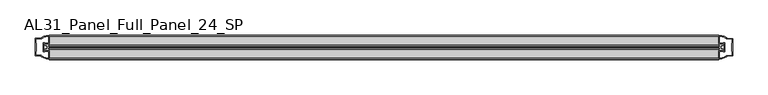
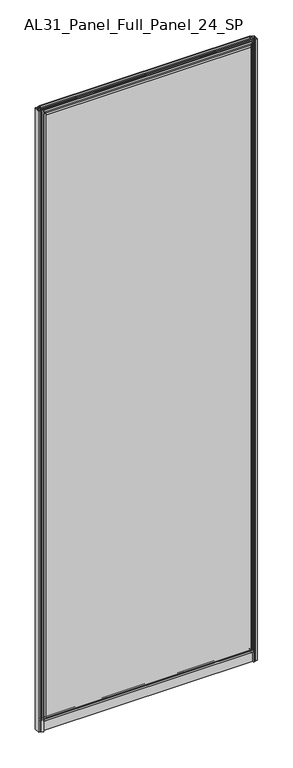
"""IFC4 building model written with IfcOpenShell, lengths in millimetres: plate geometry, AL31_Panel_Full_Panel_24_SP."""

from ifc_helpers import new_model, si_unit, point, frame, frame_2d, origin, origin_with_axes, place, context, project, spatial, polyline, circle_curve, trimmed, segment, composite_curve, outline, extrude, source, transform, mapped, element, save


def al31_panel_full_panel_24_sp_4a20fce6(model_context):
    return source(origin(), model_context, "Body", "SweptSolid", [
        extrude(outline(composite_curve([segment(polyline([(-0.8778244, 46.2206013), (-1.4322398, 45.1563534)]), True, "CONTINUOUS"), segment(trimmed(circle_curve(frame_2d((0.0, 47.9056604)), 3.1), [point((-1.4322398, 45.1563534))], [point((-3.05, 47.3511336))], False, "CARTESIAN"), True, "CONTINUOUS"), segment(polyline([(-3.05, 47.3511336), (-3.05, 41.9), (-5.0, 41.9), (-5.0, 49.4), (-17.0, 49.4), (-17.0, 59.2), (-14.8, 59.2), (-14.8, 51.3), (14.8, 51.3), (14.8, 59.2), (17.0, 59.2), (17.0, 49.4), (5.0, 49.4), (5.0, 41.9), (3.05, 41.9), (3.05, 47.3511336)]), True, "CONTINUOUS"), segment(trimmed(circle_curve(frame_2d((0.0, 47.9056604)), 3.1), [point((3.05, 47.3511336))], [point((1.4322398, 45.1563534))], False, "CARTESIAN"), True, "CONTINUOUS"), segment(polyline([(1.4322398, 45.1563534), (0.8778244, 46.2206013)]), True, "CONTINUOUS"), segment(trimmed(circle_curve(frame_2d((0.0, 47.9056604)), 1.9), [point((0.8778244, 46.2206013))], [point((0.0, 49.8056604))], True, "CARTESIAN"), True, "CONTINUOUS"), segment(trimmed(circle_curve(frame_2d((0.0, 47.9056604)), 1.9), [point((0.0, 49.8056604))], [point((-0.8778244, 46.2206013))], True, "CARTESIAN"), True, "CONTINUOUS")], self_intersect=False)), frame((-475.0, 0.0, 0.0), z_axis=(1.0, 0.0, 0.0), x_axis=(0.0, 1.0, 0.0)), (0.0, 0.0, 1.0), 950.0),
        extrude(outline(composite_curve([segment(trimmed(circle_curve(frame_2d((-476.4943396, 0.0)), 1.9), [point((-478.1793987, -0.8778244))], [point((-474.5943396, 0.0))], True, "CARTESIAN"), True, "CONTINUOUS"), segment(trimmed(circle_curve(frame_2d((-476.4943396, 0.0)), 1.9), [point((-474.5943396, 0.0))], [point((-478.1793987, 0.8778244))], True, "CARTESIAN"), True, "CONTINUOUS"), segment(polyline([(-478.1793987, 0.8778244), (-479.2436466, 1.4322398)]), True, "CONTINUOUS"), segment(trimmed(circle_curve(frame_2d((-476.4943396, 0.0)), 3.1), [point((-479.2436466, 1.4322398))], [point((-477.0488664, 3.05))], False, "CARTESIAN"), True, "CONTINUOUS"), segment(polyline([(-477.0488664, 3.05), (-482.5, 3.05), (-482.5, 5.0), (-475.0, 5.0), (-475.0, 17.0), (-465.2, 17.0), (-465.2, 14.8), (-473.1, 14.8), (-473.1, -14.8), (-465.2, -14.8), (-465.2, -17.0), (-475.0, -17.0), (-475.0, -5.0), (-482.5, -5.0), (-482.5, -3.05), (-477.0488664, -3.05)]), True, "CONTINUOUS"), segment(trimmed(circle_curve(frame_2d((-476.4943396, 0.0)), 3.1), [point((-477.0488664, -3.05))], [point((-479.2436466, -1.4322398))], False, "CARTESIAN"), True, "CONTINUOUS"), segment(polyline([(-479.2436466, -1.4322398), (-478.1793987, -0.8778244)]), True, "CONTINUOUS")], self_intersect=False)), frame((0.0, 0.0, 49.4), z_axis=(0.0, 0.0, 1.0), x_axis=(1.0, 0.0, 0.0)), (0.0, 0.0, 1.0), 2906.6),
        extrude(outline(composite_curve([segment(polyline([(478.1793987, -0.8778244), (479.2436466, -1.4322398)]), True, "CONTINUOUS"), segment(trimmed(circle_curve(frame_2d((476.4943396, 0.0)), 3.1), [point((479.2436466, -1.4322398))], [point((477.0488664, -3.05))], False, "CARTESIAN"), True, "CONTINUOUS"), segment(polyline([(477.0488664, -3.05), (482.5, -3.05), (482.5, -5.0), (475.0, -5.0), (475.0, -17.0), (465.2, -17.0), (465.2, -14.8), (473.1, -14.8), (473.1, 14.8), (465.2, 14.8), (465.2, 17.0), (475.0, 17.0), (475.0, 5.0), (482.5, 5.0), (482.5, 3.05), (477.0488664, 3.05)]), True, "CONTINUOUS"), segment(trimmed(circle_curve(frame_2d((476.4943396, 0.0)), 3.1), [point((477.0488664, 3.05))], [point((479.2436466, 1.4322398))], False, "CARTESIAN"), True, "CONTINUOUS"), segment(polyline([(479.2436466, 1.4322398), (478.1793987, 0.8778244)]), True, "CONTINUOUS"), segment(trimmed(circle_curve(frame_2d((476.4943396, 0.0)), 1.9), [point((478.1793987, 0.8778244))], [point((474.5943396, 0.0))], True, "CARTESIAN"), True, "CONTINUOUS"), segment(trimmed(circle_curve(frame_2d((476.4943396, 0.0)), 1.9), [point((474.5943396, 0.0))], [point((478.1793987, -0.8778244))], True, "CARTESIAN"), True, "CONTINUOUS")], self_intersect=False)), frame((0.0, 0.0, 49.4), z_axis=(0.0, 0.0, 1.0), x_axis=(1.0, 0.0, 0.0)), (0.0, 0.0, 1.0), 2906.6),
        extrude(outline(composite_curve([segment(polyline([(0.8778244, 2959.1793987), (1.4322398, 2960.2436466)]), True, "CONTINUOUS"), segment(trimmed(circle_curve(frame_2d((0.0, 2957.4943396)), 3.1), [point((1.4322398, 2960.2436466))], [point((3.05, 2958.0488664))], False, "CARTESIAN"), True, "CONTINUOUS"), segment(polyline([(3.05, 2958.0488664), (3.05, 2963.5), (5.0, 2963.5), (5.0, 2956.0), (17.0, 2956.0), (17.0, 2946.2), (14.8, 2946.2), (14.8, 2954.1), (-14.8, 2954.1), (-14.8, 2946.2), (-17.0, 2946.2), (-17.0, 2956.0), (-5.0, 2956.0), (-5.0, 2963.5), (-3.05, 2963.5), (-3.05, 2958.0488664)]), True, "CONTINUOUS"), segment(trimmed(circle_curve(frame_2d((0.0, 2957.4943396)), 3.1), [point((-3.05, 2958.0488664))], [point((-1.4322398, 2960.2436466))], False, "CARTESIAN"), True, "CONTINUOUS"), segment(polyline([(-1.4322398, 2960.2436466), (-0.8778244, 2959.1793987)]), True, "CONTINUOUS"), segment(trimmed(circle_curve(frame_2d((0.0, 2957.4943396)), 1.9), [point((-0.8778244, 2959.1793987))], [point((0.0, 2955.5943396))], True, "CARTESIAN"), True, "CONTINUOUS"), segment(trimmed(circle_curve(frame_2d((0.0, 2957.4943396)), 1.9), [point((0.0, 2955.5943396))], [point((0.8778244, 2959.1793987))], True, "CARTESIAN"), True, "CONTINUOUS")], self_intersect=False)), frame((-475.0, 0.0, 0.0), z_axis=(1.0, 0.0, 0.0), x_axis=(0.0, 1.0, 0.0)), (0.0, 0.0, 1.0), 950.0),
        extrude(outline(composite_curve([segment(polyline([(-1.4, 2968.8980762), (-0.85, 2967.9454483)]), True, "CONTINUOUS"), segment(trimmed(circle_curve(frame_2d((0.1, 2966.3)), 1.9), [point((-0.85, 2967.9454483))], [point((1.05, 2967.9454483))], True, "CARTESIAN"), True, "CONTINUOUS"), segment(polyline([(1.05, 2967.9454483), (1.6, 2968.8980762)]), True, "CONTINUOUS"), segment(trimmed(circle_curve(frame_2d((0.1, 2966.3)), 3.0), [point((1.6, 2968.8980762))], [point((2.5718414, 2964.6))], False, "CARTESIAN"), True, "CONTINUOUS"), segment(polyline([(2.5718414, 2964.6), (15.7, 2964.6), (15.7, 2974.0), (17.0, 2974.0), (17.0, 2963.5), (6.7024688, 2963.5), (6.7024688, 2962.7), (6.1968782, 2960.7785039), (6.1968782, 2956.1), (5.0, 2956.1), (5.0, 2961.4339746), (5.5, 2962.3), (5.5, 2963.5), (-5.5, 2963.5), (-5.5, 2962.3), (-5.0, 2961.4339746), (-5.0, 2956.1), (-6.1968782, 2956.1), (-6.1968782, 2960.7785039), (-6.7024688, 2962.7), (-6.7024688, 2963.5), (-17.0, 2963.5), (-17.0, 2974.0), (-15.7, 2974.0), (-15.7, 2964.6), (-2.3718414, 2964.6)]), True, "CONTINUOUS"), segment(trimmed(circle_curve(frame_2d((0.1, 2966.3)), 3.0), [point((-2.3718414, 2964.6))], [point((-1.4, 2968.8980762))], False, "CARTESIAN"), True, "CONTINUOUS")], self_intersect=False)), frame((-475.0, 0.0, 0.0), z_axis=(1.0, 0.0, 0.0), x_axis=(0.0, 1.0, 0.0)), (0.0, 0.0, 1.0), 950.0),
        extrude(outline(composite_curve([segment(polyline([(-482.8414214, -5.9), (-481.6414214, -5.9), (-481.6414214, -5.0), (-475.0, -5.0), (-475.0, -17.0001453)]), True, "CONTINUOUS"), segment(trimmed(circle_curve(frame_2d((-474.6353484, 2.9965302)), 20.0), [point((-475.0, -17.0001453))], [point((-486.3558352, -13.2093388))], False, "CARTESIAN"), True, "CONTINUOUS"), segment(polyline([(-486.3558352, -13.2093388), (-486.3558352, -12.3279343), (-495.0, -12.3279343), (-495.0, 12.3720657), (-486.3558352, 12.3720657), (-486.3558352, 13.2095249)]), True, "CONTINUOUS"), segment(trimmed(circle_curve(frame_2d((-474.6353484, -2.9963441)), 20.0), [point((-486.3558352, 13.2095249))], [point((-475.0, 17.0003314))], False, "CARTESIAN"), True, "CONTINUOUS"), segment(polyline([(-475.0, 17.0003314), (-475.0, 5.0), (-481.6414214, 5.0), (-481.6414214, 5.9), (-482.8414214, 5.9), (-482.8414214, -5.9)]), True, "CONTINUOUS")], self_intersect=False), holes=[composite_curve([segment(trimmed(circle_curve(frame_2d((-481.8414214, 5.7)), 1.5), [point((-481.8414214, 7.2))], [point((-480.4861671, 6.3428731))], False, "CARTESIAN"), True, "CONTINUOUS"), segment(polyline([(-480.4861671, 6.3428731), (-476.7414214, 6.3428731), (-476.7414214, 10.939223), (-476.3020815, 11.9998832), (-476.3020815, 15.6499817)]), True, "CONTINUOUS"), segment(trimmed(circle_curve(frame_2d((-474.6353484, -2.9755921)), 18.7), [point((-476.3020815, 15.6499817))], [point((-484.6421262, 12.8216987))], True, "CARTESIAN"), True, "CONTINUOUS"), segment(trimmed(circle_curve(frame_2d((-486.4414214, 12.8720657)), 1.8), [point((-484.6421262, 12.8216987))], [point((-486.4414214, 11.0720657))], False, "CARTESIAN"), True, "CONTINUOUS"), segment(polyline([(-486.4414214, 11.0720657), (-493.5828427, 11.0720657), (-493.5828427, 6.5019606), (-493.1414214, 5.439223), (-493.1414214, -5.3950916), (-493.6414214, -6.3879987), (-493.6414214, -11.0279343), (-486.4414214, -11.0279343)]), True, "CONTINUOUS"), segment(trimmed(circle_curve(frame_2d((-486.4414214, -12.8279343)), 1.8), [point((-486.4414214, -11.0279343))], [point((-484.6421262, -12.7775673))], False, "CARTESIAN"), True, "CONTINUOUS"), segment(trimmed(circle_curve(frame_2d((-474.6353484, 3.0197235)), 18.7), [point((-484.6421262, -12.7775673))], [point((-476.3020815, -15.6058503))], True, "CARTESIAN"), True, "CONTINUOUS"), segment(polyline([(-476.3020815, -15.6058503), (-476.3020815, -11.9557518), (-476.7414214, -10.8950916), (-476.7414214, -6.2991308), (-480.4662696, -6.2991308)]), True, "CONTINUOUS"), segment(trimmed(circle_curve(frame_2d((-481.8414214, -5.7)), 1.5), [point((-480.4662696, -6.2991308))], [point((-481.8414214, -7.2))], False, "CARTESIAN"), True, "CONTINUOUS"), segment(polyline([(-481.8414214, -7.2), (-484.1414214, -7.2), (-484.1414214, 7.2), (-481.8414214, 7.2)]), True, "CONTINUOUS")], self_intersect=False)]), origin_with_axes(), (0.0, 0.0, 1.0), 2974.0),
        extrude(outline(composite_curve([segment(polyline([(482.8414214, 5.9), (481.6414214, 5.9), (481.6414214, 5.0), (475.0, 5.0), (475.0, 17.0001453)]), True, "CONTINUOUS"), segment(trimmed(circle_curve(frame_2d((474.6353484, -2.9965302)), 20.0), [point((475.0, 17.0001453))], [point((486.3558352, 13.2093388))], False, "CARTESIAN"), True, "CONTINUOUS"), segment(polyline([(486.3558352, 13.2093388), (486.3558352, 12.3279343), (495.0, 12.3279343), (495.0, -12.3720657), (486.3558352, -12.3720657), (486.3558352, -13.2095249)]), True, "CONTINUOUS"), segment(trimmed(circle_curve(frame_2d((474.6353484, 2.9963441)), 20.0), [point((486.3558352, -13.2095249))], [point((475.0, -17.0003314))], False, "CARTESIAN"), True, "CONTINUOUS"), segment(polyline([(475.0, -17.0003314), (475.0, -5.0), (481.6414214, -5.0), (481.6414214, -5.9), (482.8414214, -5.9), (482.8414214, 5.9)]), True, "CONTINUOUS")], self_intersect=False), holes=[composite_curve([segment(trimmed(circle_curve(frame_2d((481.8414214, -5.7)), 1.5), [point((481.8414214, -7.2))], [point((480.4861671, -6.3428731))], False, "CARTESIAN"), True, "CONTINUOUS"), segment(polyline([(480.4861671, -6.3428731), (476.7414214, -6.3428731), (476.7414214, -10.939223), (476.3020815, -11.9998832), (476.3020815, -15.6499817)]), True, "CONTINUOUS"), segment(trimmed(circle_curve(frame_2d((474.6353484, 2.9755921)), 18.7), [point((476.3020815, -15.6499817))], [point((484.6421262, -12.8216987))], True, "CARTESIAN"), True, "CONTINUOUS"), segment(trimmed(circle_curve(frame_2d((486.4414214, -12.8720657)), 1.8), [point((484.6421262, -12.8216987))], [point((486.4414214, -11.0720657))], False, "CARTESIAN"), True, "CONTINUOUS"), segment(polyline([(486.4414214, -11.0720657), (493.5828427, -11.0720657), (493.5828427, -6.5019606), (493.1414214, -5.439223), (493.1414214, 5.3950916), (493.6414214, 6.3879987), (493.6414214, 11.0279343), (486.4414214, 11.0279343)]), True, "CONTINUOUS"), segment(trimmed(circle_curve(frame_2d((486.4414214, 12.8279343)), 1.8), [point((486.4414214, 11.0279343))], [point((484.6421262, 12.7775673))], False, "CARTESIAN"), True, "CONTINUOUS"), segment(trimmed(circle_curve(frame_2d((474.6353484, -3.0197235)), 18.7), [point((484.6421262, 12.7775673))], [point((476.3020815, 15.6058503))], True, "CARTESIAN"), True, "CONTINUOUS"), segment(polyline([(476.3020815, 15.6058503), (476.3020815, 11.9557518), (476.7414214, 10.8950916), (476.7414214, 6.2991308), (480.4662696, 6.2991308)]), True, "CONTINUOUS"), segment(trimmed(circle_curve(frame_2d((481.8414214, 5.7)), 1.5), [point((480.4662696, 6.2991308))], [point((481.8414214, 7.2))], False, "CARTESIAN"), True, "CONTINUOUS"), segment(polyline([(481.8414214, 7.2), (484.1414214, 7.2), (484.1414214, -7.2), (481.8414214, -7.2)]), True, "CONTINUOUS")], self_intersect=False)]), origin_with_axes(), (0.0, 0.0, 1.0), 2974.0),
        extrude(outline(composite_curve([segment(trimmed(circle_curve(frame_2d((-8.4, 34.8)), 1.0), [point((-8.4, 35.8))], [point((-9.4, 34.8))], True, "CARTESIAN"), True, "CONTINUOUS"), segment(polyline([(-9.4, 34.8), (-9.4, 33.5), (-5.0000303, 33.5), (-5.0000303, 32.3), (-9.4, 32.3), (-9.4, 0.0), (-10.6, 0.0), (-10.6, 47.3)]), True, "CONTINUOUS"), segment(trimmed(circle_curve(frame_2d((-8.6, 47.3)), 2.0), [point((-10.6, 47.3))], [point((-8.6, 49.3))], False, "CARTESIAN"), True, "CONTINUOUS"), segment(polyline([(-8.6, 49.3), (-5.0, 49.3), (-5.0, 41.9), (5.0, 41.9), (5.0, 49.3), (8.6, 49.3)]), True, "CONTINUOUS"), segment(trimmed(circle_curve(frame_2d((8.6, 47.3)), 2.0), [point((8.6, 49.3))], [point((10.6, 47.3))], False, "CARTESIAN"), True, "CONTINUOUS"), segment(polyline([(10.6, 47.3), (10.6, 0.0), (9.4, 0.0), (9.4, 32.3), (4.9999697, 32.3), (4.9999697, 33.5), (9.4, 33.5), (9.4, 34.8)]), True, "CONTINUOUS"), segment(trimmed(circle_curve(frame_2d((8.4, 34.8)), 1.0), [point((9.4, 34.8))], [point((8.4, 35.8))], True, "CARTESIAN"), True, "CONTINUOUS"), segment(polyline([(8.4, 35.8), (-8.4, 35.8)]), True, "CONTINUOUS")], self_intersect=False), holes=[composite_curve([segment(trimmed(circle_curve(frame_2d((5.5024688, 41.8)), 1.0), [point((6.5024688, 41.8))], [point((5.5024688, 40.8))], False, "CARTESIAN"), True, "CONTINUOUS"), segment(polyline([(5.5024688, 40.8), (2.8008965, 40.8), (2.8008965, 39.7274194), (1.8370508, 39.7274194)]), True, "CONTINUOUS"), segment(trimmed(circle_curve(frame_2d((0.0, 38.7)), 2.1048387), [point((1.8370508, 39.7274194))], [point((-1.8370508, 39.7274194))], True, "CARTESIAN"), True, "CONTINUOUS"), segment(polyline([(-1.8370508, 39.7274194), (-2.8008965, 39.7274194), (-2.8008965, 40.8), (-5.5024688, 40.8)]), True, "CONTINUOUS"), segment(trimmed(circle_curve(frame_2d((-5.5024688, 41.8)), 1.0), [point((-5.5024688, 40.8))], [point((-6.5024688, 41.8))], False, "CARTESIAN"), True, "CONTINUOUS"), segment(polyline([(-6.5024688, 41.8), (-6.5024688, 42.7)]), True, "CONTINUOUS"), segment(trimmed(circle_curve(frame_2d((-5.3024688, 42.7)), 1.2), [point((-6.5024688, 42.7))], [point((-6.1198184, 43.5786009))], False, "CARTESIAN"), True, "CONTINUOUS"), segment(polyline([(-6.1198184, 43.5786009), (-6.1198184, 48.2), (-8.4, 48.2)]), True, "CONTINUOUS"), segment(trimmed(circle_curve(frame_2d((-8.4, 47.2)), 1.0), [point((-8.4, 48.2))], [point((-9.4, 47.2))], True, "CARTESIAN"), True, "CONTINUOUS"), segment(polyline([(-9.4, 47.2), (-9.4, 37.04), (-2.8008965, 37.04), (-2.8008965, 38.0725806), (-1.8370508, 38.0725806)]), True, "CONTINUOUS"), segment(trimmed(circle_curve(frame_2d((0.0, 39.1)), 2.1048387), [point((-1.8370508, 38.0725806))], [point((1.8370508, 38.0725806))], True, "CARTESIAN"), True, "CONTINUOUS"), segment(polyline([(1.8370508, 38.0725806), (2.8008965, 38.0725806), (2.8008965, 37.04), (9.4, 37.04), (9.4, 47.2)]), True, "CONTINUOUS"), segment(trimmed(circle_curve(frame_2d((8.4, 47.2)), 1.0), [point((9.4, 47.2))], [point((8.4, 48.2))], True, "CARTESIAN"), True, "CONTINUOUS"), segment(polyline([(8.4, 48.2), (6.1198184, 48.2), (6.1198184, 43.7786009)]), True, "CONTINUOUS"), segment(trimmed(circle_curve(frame_2d((5.3024688, 42.9)), 1.2), [point((6.1198184, 43.7786009))], [point((6.5024688, 42.9))], False, "CARTESIAN"), True, "CONTINUOUS"), segment(polyline([(6.5024688, 42.9), (6.5024688, 41.8)]), True, "CONTINUOUS")], self_intersect=False)]), frame((-475.0, 0.0, 0.0), z_axis=(1.0, 0.0, 0.0), x_axis=(0.0, 1.0, 0.0)), (0.0, 0.0, 1.0), 950.0),
        extrude(outline(polyline([(473.1, -8.0), (473.1, -12.0), (-473.1, -12.0), (-473.1, -8.0), (473.1, -8.0)])), frame((0.0, 0.0, 51.3), z_axis=(0.0, 0.0, 1.0), x_axis=(1.0, 0.0, 0.0)), (0.0, 0.0, 1.0), 2902.8),
        extrude(outline(polyline([(473.1, 12.0), (473.1, 8.0), (-473.1, 8.0), (-473.1, 12.0), (473.1, 12.0)])), frame((0.0, 0.0, 51.3), z_axis=(0.0, 0.0, 1.0), x_axis=(1.0, 0.0, 0.0)), (0.0, 0.0, 1.0), 2902.8),
        extrude(outline(polyline([(17.0, 59.2), (17.0, 49.4), (10.6, 49.4), (10.6, 0.0), (-10.6, 0.0), (-10.6, 49.4), (-17.0, 49.4), (-17.0, 59.2), (17.0, 59.2)])), frame((-475.0, 0.0, 0.0), z_axis=(1.0, 0.0, 0.0), x_axis=(0.0, 1.0, 0.0)), (0.0, 0.0, 1.0), 950.0),
    ])


if __name__ == "__main__":
    model = new_model("IFC4")
    model_context = context("Model", 3, world=origin())
    ifc_project = project(units=[si_unit("LENGTHUNIT", "METRE", prefix="MILLI")], contexts=[model_context])
    site = spatial("IfcSite", under=ifc_project)
    building = spatial("IfcBuilding", under=site)
    placement = place(None, origin())
    al31_panel_full_panel_24_sp_shape = al31_panel_full_panel_24_sp_4a20fce6(model_context)
    element("IfcPlate", 1, ObjectType="AL31_Panel_Full_Panel_24_SP", at=placement, inside=building, context=model_context, shape_type="MappedRepresentation", body=[
        mapped(al31_panel_full_panel_24_sp_shape, transform((0.0, 0.0, 0.0), x_axis=(1.0, 0.0, 0.0), y_axis=(0.0, 1.0, 0.0), z_axis=(0.0, 0.0, 1.0))),
    ])
    save(model, "model.ifc")
